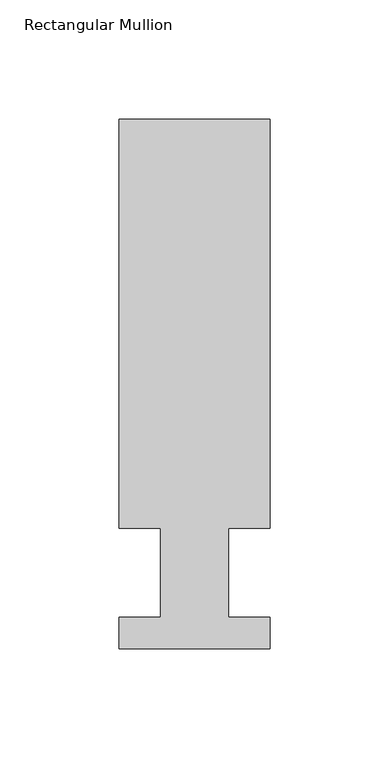
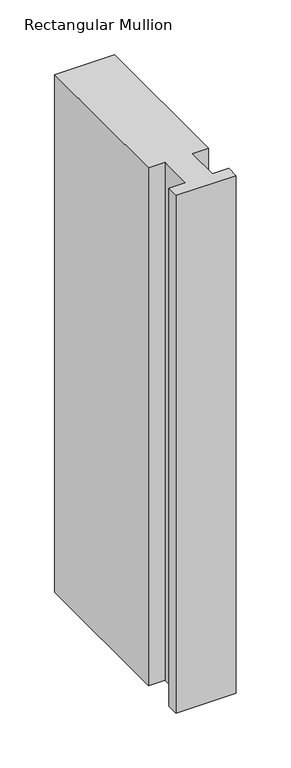
"""IFC4 building model written with IfcOpenShell, lengths in millimetres: member geometry, Rectangular Mullion."""

from ifc_helpers import new_model, si_unit, frame, origin, place, context, project, spatial, polyline, outline, extrude, source, transform, mapped, element, save


def rectangular_mullion_3d8b025b(model_context):
    return source(origin(), model_context, "Body", "SweptSolid", [
        extrude(outline(polyline([(-63.5, 222.5381313), (-5e-07, 222.5381313), (-5e-07, 50.8091913), (-17.4625004, 50.8091913), (-17.4625004, 13.3834445), (0.0, 13.3834445), (0.0, 0.2008445), (-63.5, 0.2008445), (-63.5, 13.3834445), (-46.0248001, 13.3834445), (-46.0248001, 50.8091913), (-63.5, 50.8091913), (-63.5, 222.5381313)])), frame((0.0, 0.0, -577.8499998), z_axis=(0.0, 0.0, 1.0), x_axis=(1.0, 0.0, 0.0)), (0.0, 0.0, 1.0), 577.8499998),
    ])


if __name__ == "__main__":
    model = new_model("IFC4")
    model_context = context("Model", 3, world=origin())
    ifc_project = project(units=[si_unit("LENGTHUNIT", "METRE", prefix="MILLI")], contexts=[model_context])
    site = spatial("IfcSite", under=ifc_project)
    building = spatial("IfcBuilding", under=site)
    placement = place(None, origin())
    rectangular_mullion_shape = rectangular_mullion_3d8b025b(model_context)
    element("IfcMember", 1, ObjectType="Rectangular Mullion", at=placement, inside=building, context=model_context, shape_type="MappedRepresentation", body=[
        mapped(rectangular_mullion_shape, transform((0.0, 0.0, 0.0), x_axis=(1.0, 0.0, 0.0), y_axis=(0.0, 1.0, 0.0), z_axis=(0.0, 0.0, 1.0))),
    ])
    save(model, "model.ifc")
